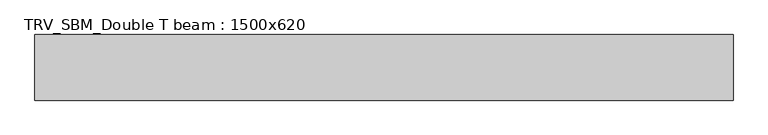
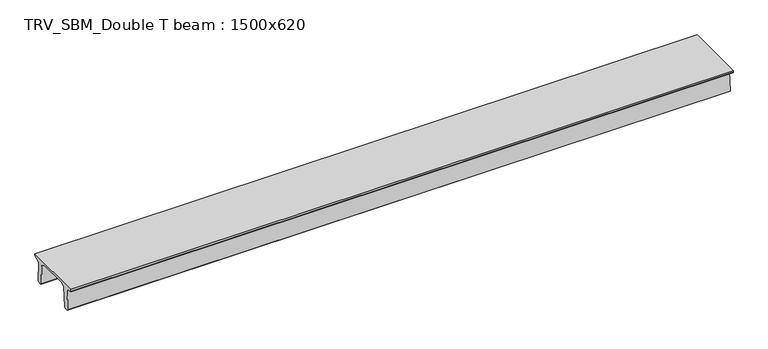
"""IFC4 building model written with IfcOpenShell, lengths in millimetres: beam geometry, TRV_SBM_Double T beam : 1500x620."""

from ifc_helpers import new_model, si_unit, frame, origin, place, context, project, spatial, polyline, outline, extrude, source, transform, mapped, element, save


def trv_sbm_double_t_beam_1500x620_7d9a42f5(model_context):
    return source(origin(), model_context, "Body", "SweptSolid", [
        extrude(outline(polyline([(-765.0, 215.0), (-765.0, 260.0), (735.0, 260.0), (735.0, 215.0), (728.2094488, 201.315559), (578.0626443, 140.6523122), (594.8277662, -339.4379646), (574.2657308, -360.0), (484.2657308, -360.0), (464.786332, -340.5206011), (447.8600761, 144.18395), (338.3237744, 210.0), (-367.4555014, 210.0), (-476.5389732, 151.9992892), (-507.0080378, -339.3850967), (-527.622941, -360.0), (-615.122941, -360.0), (-637.1143055, -338.0086356), (-606.1572167, 162.687806), (-761.3068466, 204.260024), (-765.0, 215.0)])), frame((-7983.0, 0.0, 0.0), z_axis=(1.0, 0.0, 0.0), x_axis=(0.0, 1.0, 0.0)), (0.0, 0.0, 1.0), 15966.0),
    ])


if __name__ == "__main__":
    model = new_model("IFC4")
    model_context = context("Model", 3, world=origin())
    ifc_project = project(units=[si_unit("LENGTHUNIT", "METRE", prefix="MILLI")], contexts=[model_context])
    site = spatial("IfcSite", under=ifc_project)
    building = spatial("IfcBuilding", under=site)
    placement = place(None, origin())
    trv_sbm_double_t_beam_1500x620_shape = trv_sbm_double_t_beam_1500x620_7d9a42f5(model_context)
    element("IfcBeam", 1, ObjectType="TRV_SBM_Double T beam : 1500x620", at=placement, inside=building, context=model_context, shape_type="MappedRepresentation", body=[
        mapped(trv_sbm_double_t_beam_1500x620_shape, transform((0.0, 0.0, 0.0), x_axis=(1.0, 0.0, 0.0), y_axis=(0.0, 1.0, 0.0), z_axis=(0.0, 0.0, 1.0))),
    ])
    save(model, "model.ifc")
